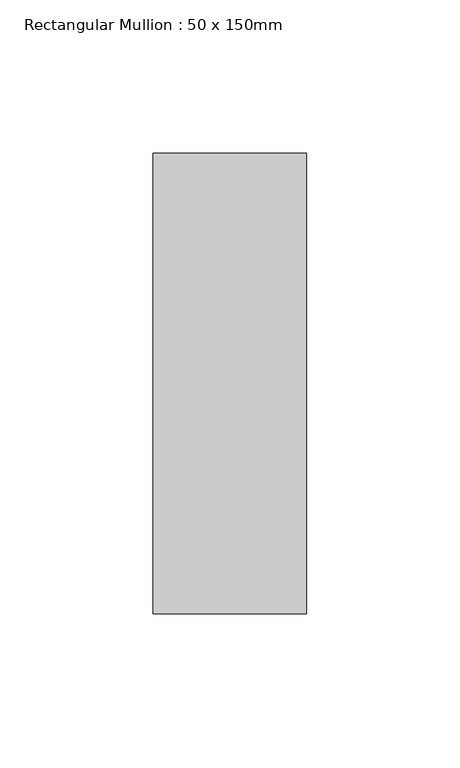
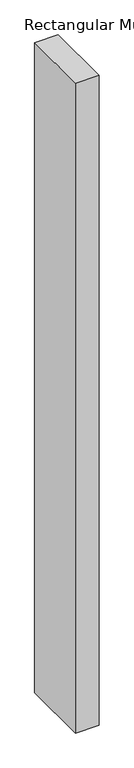
"""IFC4 building model written with IfcOpenShell, lengths in millimetres: member geometry, Rectangular Mullion : 50 x 150mm."""

from ifc_helpers import new_model, si_unit, frame, origin, place, context, project, spatial, polyline, outline, extrude, source, transform, mapped, element, save


def rectangular_mullion_50_x_150mm_297f904c(model_context):
    return source(origin(), model_context, "Body", "SweptSolid", [
        extrude(outline(polyline([(0.0, 75.0), (0.0, -75.0), (-50.0, -75.0), (-50.0, 75.0), (0.0, 75.0)])), frame((0.0, 0.0, -1460.9104546), z_axis=(0.0, 0.0, 1.0), x_axis=(1.0, 0.0, 0.0)), (0.0, 0.0, 1.0), 1460.9104546),
    ])


if __name__ == "__main__":
    model = new_model("IFC4")
    model_context = context("Model", 3, world=origin())
    ifc_project = project(units=[si_unit("LENGTHUNIT", "METRE", prefix="MILLI")], contexts=[model_context])
    site = spatial("IfcSite", under=ifc_project)
    building = spatial("IfcBuilding", under=site)
    placement = place(None, origin())
    rectangular_mullion_50_x_150mm_shape = rectangular_mullion_50_x_150mm_297f904c(model_context)
    element("IfcMember", 1, ObjectType="Rectangular Mullion : 50 x 150mm", at=placement, inside=building, context=model_context, shape_type="MappedRepresentation", body=[
        mapped(rectangular_mullion_50_x_150mm_shape, transform((0.0, 0.0, 0.0), x_axis=(1.0, 0.0, 0.0), y_axis=(0.0, 1.0, 0.0), z_axis=(0.0, 0.0, 1.0))),
    ])
    save(model, "model.ifc")
